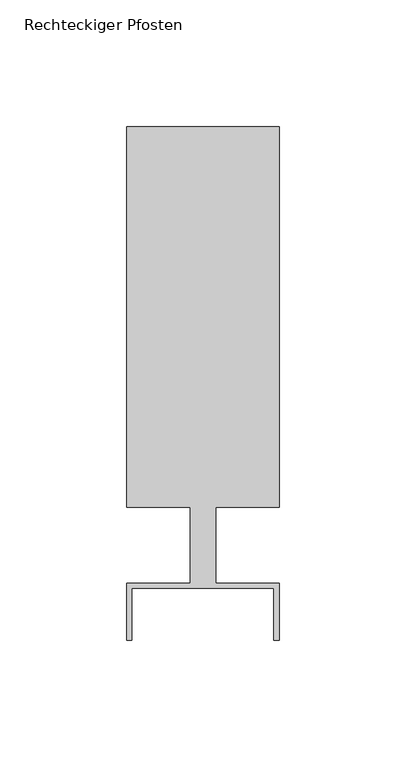
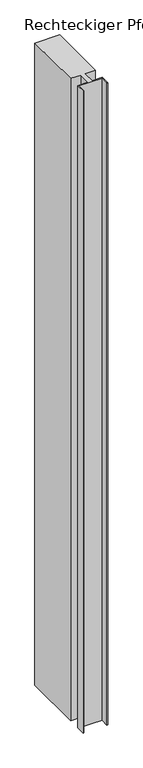
"""IFC4 building model written with IfcOpenShell, lengths in millimetres: member geometry, Rechteckiger Pfosten."""

from ifc_helpers import new_model, si_unit, frame, origin, place, context, project, spatial, polyline, outline, extrude, source, transform, mapped, element, save


def rechteckiger_pfosten_f228019d(model_context):
    return source(origin(), model_context, "Body", "SweptSolid", [
        extrude(outline(polyline([(28.0, -37.5), (28.0, -17.0), (-28.0, -17.0), (-28.0, -37.5), (-30.0, -37.5), (-30.0, -15.0), (-5.0, -15.0), (-5.0, 15.0), (-30.0, 15.0), (-30.0, 165.0), (30.0, 165.0), (30.0, 15.0), (5.0, 15.0), (5.0, -15.0), (30.0, -15.0), (30.0, -37.5), (28.0, -37.5)])), frame((0.0, 0.0, -1650.0), z_axis=(0.0, 0.0, 1.0), x_axis=(1.0, 0.0, 0.0)), (0.0, 0.0, 1.0), 1650.0),
    ])


if __name__ == "__main__":
    model = new_model("IFC4")
    model_context = context("Model", 3, world=origin())
    ifc_project = project(units=[si_unit("LENGTHUNIT", "METRE", prefix="MILLI")], contexts=[model_context])
    site = spatial("IfcSite", under=ifc_project)
    building = spatial("IfcBuilding", under=site)
    placement = place(None, origin())
    rechteckiger_pfosten_shape = rechteckiger_pfosten_f228019d(model_context)
    element("IfcMember", 1, ObjectType="Rechteckiger Pfosten", at=placement, inside=building, context=model_context, shape_type="MappedRepresentation", body=[
        mapped(rechteckiger_pfosten_shape, transform((0.0, 0.0, 0.0), x_axis=(1.0, 0.0, 0.0), y_axis=(0.0, 1.0, 0.0), z_axis=(0.0, 0.0, 1.0))),
    ])
    save(model, "model.ifc")
